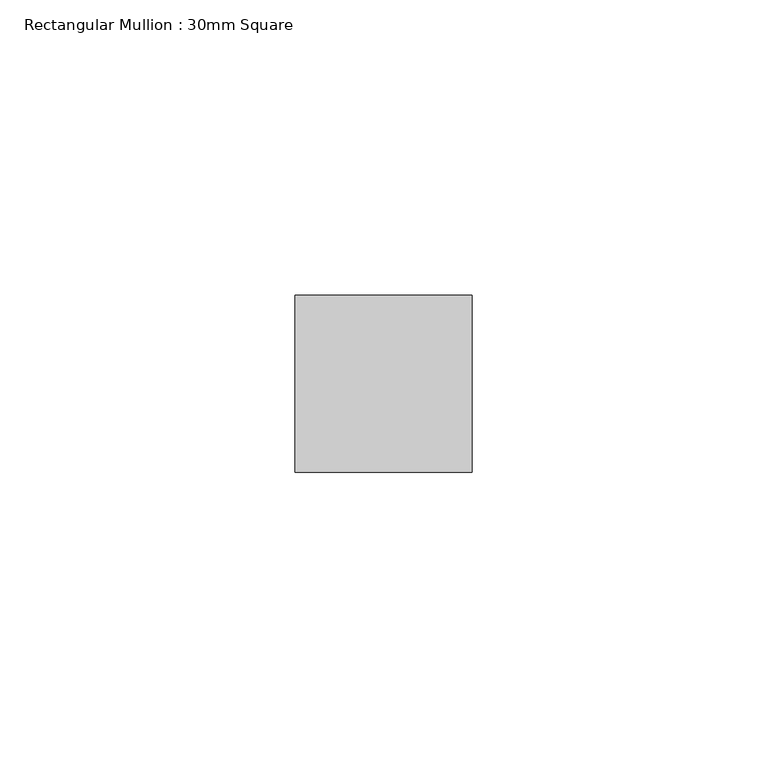
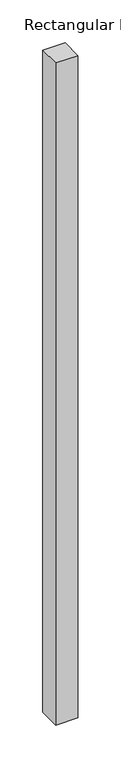
"""IFC4 building model written with IfcOpenShell, lengths in millimetres: member geometry, Rectangular Mullion : 30mm Square."""

from ifc_helpers import new_model, si_unit, frame, origin, place, context, project, spatial, polyline, outline, extrude, source, transform, mapped, element, save


def rectangular_mullion_30mm_square_d40f00d5(model_context):
    return source(origin(), model_context, "Body", "SweptSolid", [
        extrude(outline(polyline([(0.0, 15.0), (0.0, -15.0), (-30.0, -15.0), (-30.0, 15.0), (0.0, 15.0)])), frame((0.0, 0.0, -944.8624938), z_axis=(0.0, 0.0, 1.0), x_axis=(1.0, 0.0, 0.0)), (0.0, 0.0, 1.0), 944.8624938),
    ])


if __name__ == "__main__":
    model = new_model("IFC4")
    model_context = context("Model", 3, world=origin())
    ifc_project = project(units=[si_unit("LENGTHUNIT", "METRE", prefix="MILLI")], contexts=[model_context])
    site = spatial("IfcSite", under=ifc_project)
    building = spatial("IfcBuilding", under=site)
    placement = place(None, origin())
    rectangular_mullion_30mm_square_shape = rectangular_mullion_30mm_square_d40f00d5(model_context)
    element("IfcMember", 1, ObjectType="Rectangular Mullion : 30mm Square", at=placement, inside=building, context=model_context, shape_type="MappedRepresentation", body=[
        mapped(rectangular_mullion_30mm_square_shape, transform((0.0, 0.0, 0.0), x_axis=(1.0, 0.0, 0.0), y_axis=(0.0, 1.0, 0.0), z_axis=(0.0, 0.0, 1.0))),
    ])
    save(model, "model.ifc")
